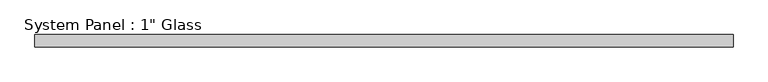
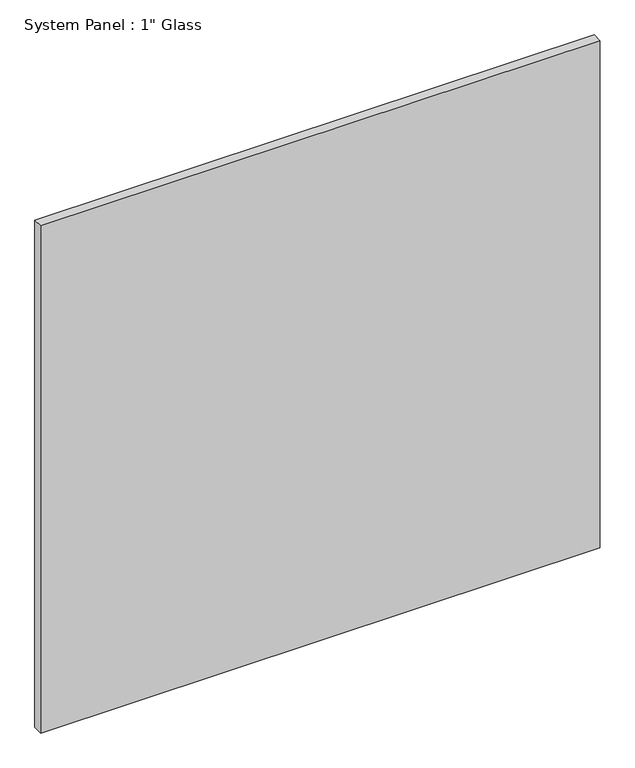
"""IFC4 building model written with IfcOpenShell, lengths in millimetres: plate geometry."""

from ifc_helpers import new_model, si_unit, origin, origin_with_axes, place, context, project, spatial, polyline, outline, extrude, source, transform, mapped, element, save


def plate_e2f90592(model_context):
    return source(origin(), model_context, "Body", "SweptSolid", [
        extrude(outline(polyline([(724.9095691, -10.31875), (-724.9095691, -10.31875), (-724.9095691, 15.08125), (724.9095691, 15.08125), (724.9095691, -10.31875)])), origin_with_axes(), (0.0, 0.0, 1.0), 1388.8591382),
    ])


if __name__ == "__main__":
    model = new_model("IFC4")
    model_context = context("Model", 3, world=origin())
    ifc_project = project(units=[si_unit("LENGTHUNIT", "METRE", prefix="MILLI")], contexts=[model_context])
    site = spatial("IfcSite", under=ifc_project)
    building = spatial("IfcBuilding", under=site)
    placement = place(None, origin())
    plate_shape = plate_e2f90592(model_context)
    element("IfcPlate", 1, ObjectType="System Panel : 1\" Glass", at=placement, inside=building, context=model_context, shape_type="MappedRepresentation", body=[
        mapped(plate_shape, transform((0.0, 0.0, 0.0), x_axis=(1.0, 0.0, 0.0), y_axis=(0.0, 1.0, 0.0), z_axis=(0.0, 0.0, 1.0))),
    ])
    save(model, "model.ifc")
